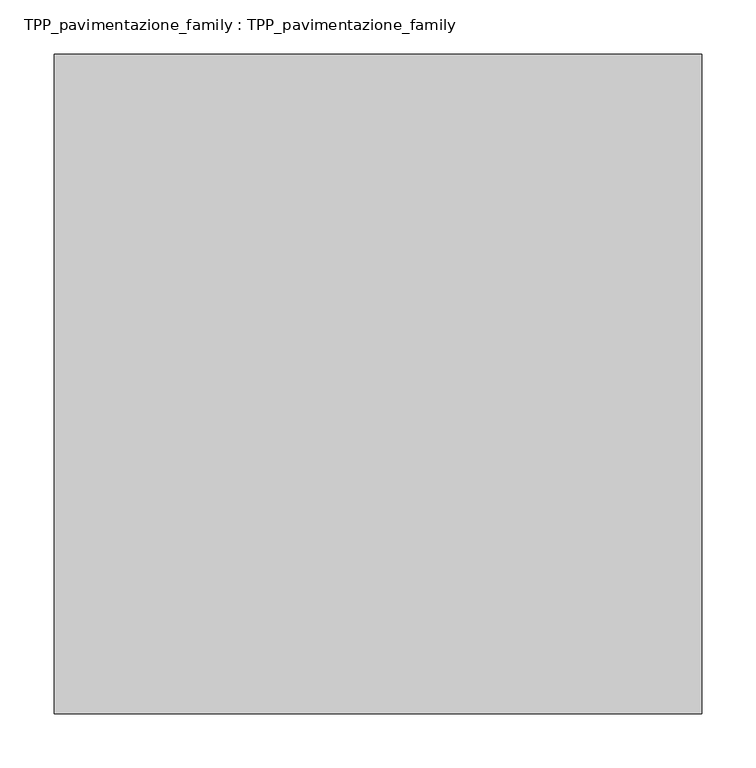
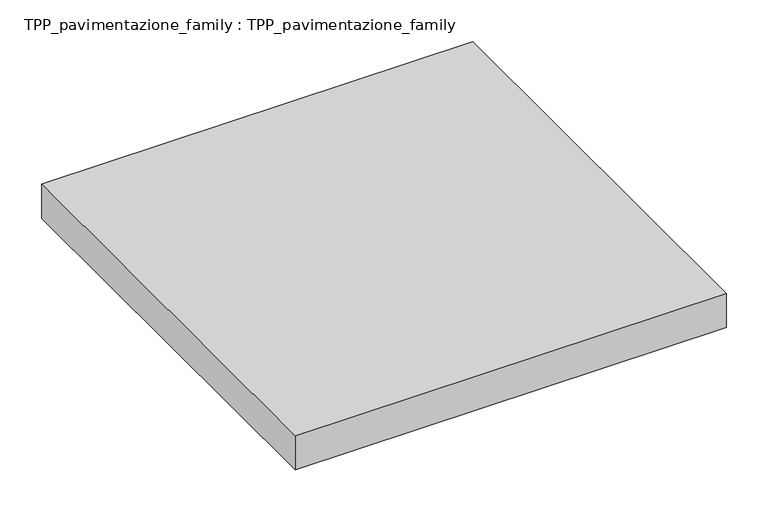
"""IFC4 building model written with IfcOpenShell, lengths in millimetres: proxy geometry, TPP_pavimentazione_family : TPP_pavimentazione_family."""

import ifcopenshell
import ifcopenshell.guid

model = None  # the IFC model being written
_history = None  # IfcOwnerHistory: only IFC2X3 demands one
_inside = {}  # id of a spatial element -> (the spatial element, [elements in it])
_under = {}  # id of a project, library or spatial element -> (it, [spatial elements below it])
_declared = {}  # id of a project -> (the project, [libraries it declares])
_typed = {}  # id of a type object -> (the type object, [elements of that type])
_made_of = {}  # id of a material, layer set ... -> (it, [elements and type objects made of it])


def new_model(schema):
    """Start an empty IFC model of exactly this schema.

    Asked for "IFC4X3", IfcOpenShell would pick the latest addendum, in which some entities
    have other attributes; the version numbers below select the first issue.
    IFC2X3 requires an IfcOwnerHistory on every rooted entity: one is made here for all.
    """
    global model, _history
    if schema == "IFC4X3":
        model = ifcopenshell.file(schema_version=(4, 3, 0, 0))
    else:
        model = ifcopenshell.file(schema=schema)
    _inside.clear()
    _under.clear()
    _declared.clear()
    _typed.clear()
    _made_of.clear()
    _history = None
    if model.schema == "IFC2X3":
        org = make("IfcOrganization", Name="unknown")
        user = make(
            "IfcPersonAndOrganization",
            ThePerson=make("IfcPerson", FamilyName="unknown"),
            TheOrganization=org,
        )
        app = make(
            "IfcApplication",
            ApplicationDeveloper=org,
            Version="unknown",
            ApplicationFullName="unknown",
            ApplicationIdentifier="unknown",
        )
        _history = make(
            "IfcOwnerHistory",
            OwningUser=user,
            OwningApplication=app,
            ChangeAction="ADDED",
            CreationDate=0,
        )
    return model


def make(cls, **values):
    """One entity of the class cls with the attributes given. An attribute that is None is left unset."""
    return model.create_entity(
        cls, **{name: value for name, value in values.items() if value is not None}
    )


def rooted(cls, **values):
    """An entity with a GlobalId (a new one), such as an element, a storey or a relation."""
    return make(cls, GlobalId=ifcopenshell.guid.new(), OwnerHistory=_history, **values)


def si_unit(unit_type, name, prefix=None):
    """IfcSIUnit, for example si_unit("LENGTHUNIT", "METRE", prefix="MILLI")."""
    return make("IfcSIUnit", UnitType=unit_type, Prefix=prefix, Name=name)


def assignment(units):
    """IfcUnitAssignment: the units of a project."""
    return None if units is None else make("IfcUnitAssignment", Units=units)


def point(xyz):
    """IfcCartesianPoint."""
    return None if xyz is None else make("IfcCartesianPoint", Coordinates=xyz)


def direction(xyz):
    """IfcDirection."""
    return None if xyz is None else make("IfcDirection", DirectionRatios=xyz)


def frame(location, z_axis=None, x_axis=None):
    """IfcAxis2Placement3D, a coordinate frame: its origin and axes. An axis left out is left unset."""
    return make(
        "IfcAxis2Placement3D",
        Location=point(location),
        Axis=direction(z_axis),
        RefDirection=direction(x_axis),
    )


def origin():
    """The frame at (0, 0, 0) with its axes left unset."""
    return frame((0.0, 0.0, 0.0))


def origin_with_axes():
    """The frame at (0, 0, 0) with the z axis (0, 0, 1) and the x axis (1, 0, 0) written out."""
    return frame((0.0, 0.0, 0.0), z_axis=(0.0, 0.0, 1.0), x_axis=(1.0, 0.0, 0.0))


def place(relative_to, where):
    """IfcLocalPlacement: puts the frame where relative to a parent placement (None: the world)."""
    return make(
        "IfcLocalPlacement", PlacementRelTo=relative_to, RelativePlacement=where
    )


def context(
    kind, dimensions, precision=None, world=None, true_north=None, identifier=None
):
    """IfcGeometricRepresentationContext, for example the 3D "Model" context."""
    return make(
        "IfcGeometricRepresentationContext",
        ContextIdentifier=identifier,
        ContextType=kind,
        CoordinateSpaceDimension=dimensions,
        Precision=precision,
        WorldCoordinateSystem=world,
        TrueNorth=true_north,
    )


def project(units=None, contexts=None):
    """IfcProject with its units and contexts."""
    return rooted(
        "IfcProject",
        Name="project",
        RepresentationContexts=contexts,
        UnitsInContext=assignment(units),
    )


def spatial(cls, under=None, at=None, **own):
    """A site, building, storey or space (cls), placed at a placement, below another one or the project."""
    s = rooted(cls, ObjectPlacement=at, **own)
    if under is not None:
        _under.setdefault(under.id(), (under, []))[1].append(s)
    return s


def polyline(points):
    """IfcPolyline through the points."""
    return make("IfcPolyline", Points=[point(p) for p in points])


def outline(outer, holes=None, kind="AREA"):
    """IfcArbitraryClosedProfileDef: a profile drawn as a closed curve; with holes, ...WithVoids."""
    if holes is None:
        return make("IfcArbitraryClosedProfileDef", ProfileType=kind, OuterCurve=outer)
    return make(
        "IfcArbitraryProfileDefWithVoids",
        ProfileType=kind,
        OuterCurve=outer,
        InnerCurves=holes,
    )


def extrude(swept, where, along, depth):
    """IfcExtrudedAreaSolid: the profile swept, set in the frame where, extruded along a direction by depth."""
    return make(
        "IfcExtrudedAreaSolid",
        SweptArea=swept,
        Position=where,
        ExtrudedDirection=direction(along),
        Depth=depth,
    )


def shape(context_of_items, identifier, shape_type, items):
    """IfcShapeRepresentation: the items that make up one representation, for example the "Body"."""
    return make(
        "IfcShapeRepresentation",
        ContextOfItems=context_of_items,
        RepresentationIdentifier=identifier,
        RepresentationType=shape_type,
        Items=items,
    )


def source(mapping_origin, context_of_items, identifier, shape_type, items):
    """IfcRepresentationMap: a shape defined once, which mapped items show again and again."""
    return make(
        "IfcRepresentationMap",
        MappingOrigin=mapping_origin,
        MappedRepresentation=shape(context_of_items, identifier, shape_type, items),
    )


def transform(
    local_origin,
    x_axis=None,
    y_axis=None,
    z_axis=None,
    scale=None,
    scale2=None,
    scale3=None,
    uniform=True,
):
    """IfcCartesianTransformationOperator3D, or its non-uniform kind. x_axis, y_axis, z_axis: its Axis1, 2, 3."""
    if uniform:
        return make(
            "IfcCartesianTransformationOperator3D",
            Axis1=direction(x_axis),
            Axis2=direction(y_axis),
            LocalOrigin=point(local_origin),
            Scale=scale,
            Axis3=direction(z_axis),
        )
    return make(
        "IfcCartesianTransformationOperator3DnonUniform",
        Axis1=direction(x_axis),
        Axis2=direction(y_axis),
        LocalOrigin=point(local_origin),
        Scale=scale,
        Axis3=direction(z_axis),
        Scale2=scale2,
        Scale3=scale3,
    )


def mapped(mapping_source, mapping_target):
    """IfcMappedItem: shows the shape of a source again, moved by a transform."""
    return make(
        "IfcMappedItem", MappingSource=mapping_source, MappingTarget=mapping_target
    )


def made_of(thing, what):
    """Note that an element or type object is made of a material, layer set ...; save() writes the relation."""
    if what is not None:
        _made_of.setdefault(what.id(), (what, []))[1].append(thing)
    return thing


def element(
    cls,
    number,
    at=None,
    inside=None,
    cuts=None,
    type_object=None,
    material=None,
    context=None,
    identifier="Body",
    shape_type=None,
    held_by="IfcProductDefinitionShape",
    body=None,
    shapes=None,
    **own,
):
    """One element of the class cls, such as IfcWall. Its Tag is "e" and its number.

    at: its placement. inside: the storey or other place that contains it. cuts: it is an
    opening in that element (IfcRelVoidsElement). A single representation is given by context,
    identifier, shape_type and body (its items); several are given by shapes. held_by: the class
    of the entity that holds the representations. save() writes the other relations.
    """
    e = rooted(cls, Tag="e%d" % number, ObjectPlacement=at, **own)
    if body is not None:
        shapes = [shape(context, identifier, shape_type, body)]
    if shapes is not None:
        e.Representation = make(held_by, Representations=shapes)
    if inside is not None:
        _inside.setdefault(inside.id(), (inside, []))[1].append(e)
    if cuts is not None:
        rooted(
            "IfcRelVoidsElement", RelatingBuildingElement=cuts, RelatedOpeningElement=e
        )
    if type_object is not None:
        _typed.setdefault(type_object.id(), (type_object, []))[1].append(e)
    return made_of(e, material)


def aggregate(whole, parts):
    """IfcRelAggregates: a whole, such as a stair, and the parts it consists of."""
    return rooted("IfcRelAggregates", RelatingObject=whole, RelatedObjects=parts)


def save(model, path):
    """Write the relations noted so far, then the file.

    IfcRelAggregates (storeys below a building ...), IfcRelContainedInSpatialStructure (elements
    in a storey), IfcRelDefinesByType, IfcRelAssociatesMaterial and IfcRelDeclares: one each for
    every whole, place, type object, material and project.
    """
    for whole, parts in _under.values():
        aggregate(whole, parts)
    for where, things in _inside.values():
        rooted(
            "IfcRelContainedInSpatialStructure",
            RelatedElements=things,
            RelatingStructure=where,
        )
    for kind, things in _typed.values():
        rooted("IfcRelDefinesByType", RelatedObjects=things, RelatingType=kind)
    for what, things in _made_of.values():
        rooted("IfcRelAssociatesMaterial", RelatedObjects=things, RelatingMaterial=what)
    for by, libraries in _declared.values():
        rooted("IfcRelDeclares", RelatingContext=by, RelatedDefinitions=libraries)
    model.write(path)


def tpp_pavimentazione_family_tpp_pavimentazione_family_20705638(model_context):
    return source(origin(), model_context, "Body", "SweptSolid", [
        extrude(outline(polyline([(511.8146187, 354.2201026), (511.8146187, -254.0040889), (-85.1181062, -254.0040889), (-85.1181062, 354.2201026), (511.8146187, 354.2201026)])), origin_with_axes(), (0.0, 0.0, 1.0), 50.0),
    ])


if __name__ == "__main__":
    model = new_model("IFC4")
    model_context = context("Model", 3, world=origin())
    ifc_project = project(units=[si_unit("LENGTHUNIT", "METRE", prefix="MILLI")], contexts=[model_context])
    site = spatial("IfcSite", under=ifc_project)
    building = spatial("IfcBuilding", under=site)
    placement = place(None, origin())
    tpp_pavimentazione_family_tpp_pavimentazione_family_shape = tpp_pavimentazione_family_tpp_pavimentazione_family_20705638(model_context)
    element("IfcBuildingElementProxy", 1, Name="TPP_pavimentazione_family : TPP_pavimentazione_family", ObjectType="TPP_pavimentazione_family : TPP_pavimentazione_family", at=placement, inside=building, context=model_context, shape_type="MappedRepresentation", body=[
        mapped(tpp_pavimentazione_family_tpp_pavimentazione_family_shape, transform((0.0, 0.0, 0.0), x_axis=(1.0, 0.0, 0.0), y_axis=(0.0, 1.0, 0.0), z_axis=(0.0, 0.0, 1.0))),
    ])
    save(model, "model.ifc")
